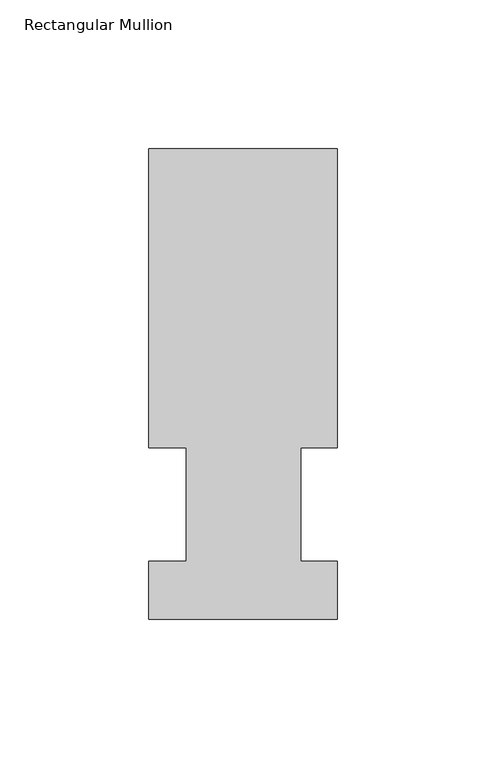
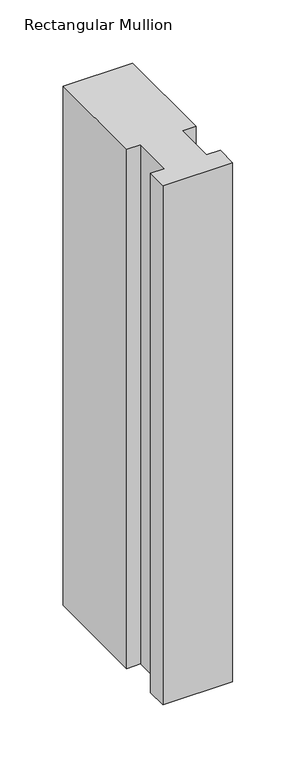
"""IFC4 building model written with IfcOpenShell, lengths in millimetres: member geometry, Rectangular Mullion."""

from ifc_helpers import new_model, si_unit, frame, origin, place, context, project, spatial, polyline, outline, extrude, source, transform, mapped, element, save


def rectangular_mullion_41ad1c53(model_context):
    return source(origin(), model_context, "Body", "SweptSolid", [
        extrude(outline(polyline([(-63.5, 57.6460937), (-63.5, 158.3316937), (0.0, 158.3316937), (0.0, 57.6460937), (-12.3418395, 57.6460937), (-12.3418395, 19.5460937), (0.0, 19.5460937), (0.0, 0.0134937), (-63.5, 0.0134937), (-63.5, 19.5460937), (-50.8, 19.5460937), (-50.8, 57.6460937), (-63.5, 57.6460937)])), frame((0.0, 0.0, -501.1554938), z_axis=(0.0, 0.0, 1.0), x_axis=(1.0, 0.0, 0.0)), (0.0, 0.0, 1.0), 501.1554938),
    ])


if __name__ == "__main__":
    model = new_model("IFC4")
    model_context = context("Model", 3, world=origin())
    ifc_project = project(units=[si_unit("LENGTHUNIT", "METRE", prefix="MILLI")], contexts=[model_context])
    site = spatial("IfcSite", under=ifc_project)
    building = spatial("IfcBuilding", under=site)
    placement = place(None, origin())
    rectangular_mullion_shape = rectangular_mullion_41ad1c53(model_context)
    element("IfcMember", 1, ObjectType="Rectangular Mullion", at=placement, inside=building, context=model_context, shape_type="MappedRepresentation", body=[
        mapped(rectangular_mullion_shape, transform((0.0, 0.0, 0.0), x_axis=(1.0, 0.0, 0.0), y_axis=(0.0, 1.0, 0.0), z_axis=(0.0, 0.0, 1.0))),
    ])
    save(model, "model.ifc")
